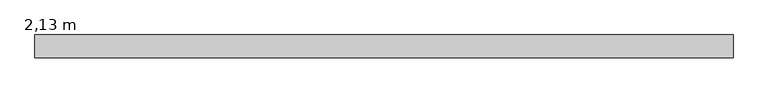
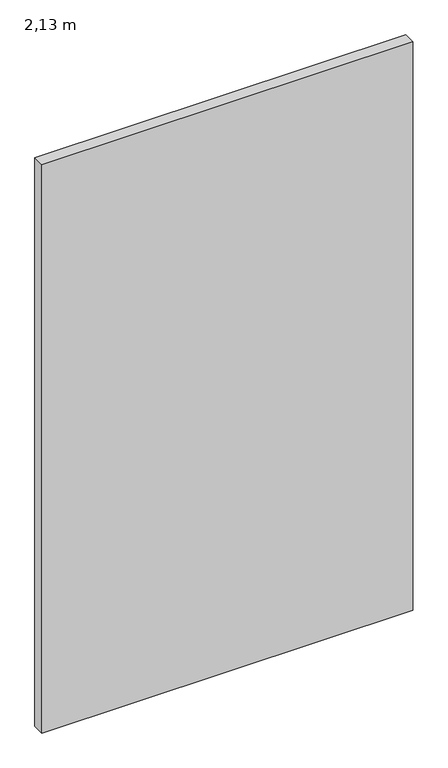
"""IFC4 building model written with IfcOpenShell, lengths in millimetres: furniture geometry, 2,13 m."""

from ifc_helpers import new_model, si_unit, origin, origin_with_axes, place, context, project, spatial, polyline, outline, extrude, source, transform, mapped, element, save


def furniture_2_13_m_93b0cb54(model_context):
    return source(origin(), model_context, "Body", "SweptSolid", [
        extrude(outline(polyline([(1190.0, -290.0), (1190.0, -360.0), (-940.0, -360.0), (-940.0, -290.0), (1190.0, -290.0)])), origin_with_axes(), (0.0, 0.0, 1.0), 3450.0),
    ])


if __name__ == "__main__":
    model = new_model("IFC4")
    model_context = context("Model", 3, world=origin())
    ifc_project = project(units=[si_unit("LENGTHUNIT", "METRE", prefix="MILLI")], contexts=[model_context])
    site = spatial("IfcSite", under=ifc_project)
    building = spatial("IfcBuilding", under=site)
    placement = place(None, origin())
    furniture_2_13_m_shape = furniture_2_13_m_93b0cb54(model_context)
    element("IfcFurniture", 1, ObjectType="2,13 m", at=placement, inside=building, context=model_context, shape_type="MappedRepresentation", body=[
        mapped(furniture_2_13_m_shape, transform((0.0, 0.0, 0.0), x_axis=(1.0, 0.0, 0.0), y_axis=(0.0, 1.0, 0.0), z_axis=(0.0, 0.0, 1.0))),
    ])
    save(model, "model.ifc")
